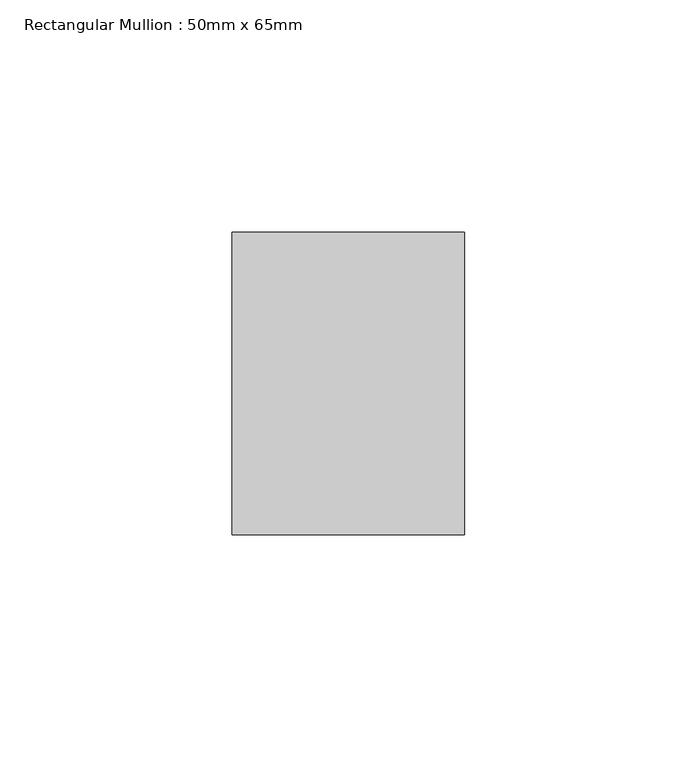
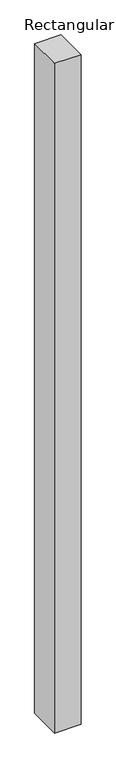
"""IFC4 building model written with IfcOpenShell, lengths in millimetres: member geometry, Rectangular Mullion : 50mm x 65mm."""

from ifc_helpers import new_model, si_unit, frame, origin, place, context, project, spatial, polyline, outline, extrude, source, transform, mapped, element, save


def rectangular_mullion_50mm_x_65mm_bb748605(model_context):
    return source(origin(), model_context, "Body", "SweptSolid", [
        extrude(outline(polyline([(25.0, 32.5), (25.0, -32.5), (-25.0, -32.5), (-25.0, 32.5), (25.0, 32.5)])), frame((0.0, 0.0, -1337.4790251), z_axis=(0.0, 0.0, 1.0), x_axis=(1.0, 0.0, 0.0)), (0.0, 0.0, 1.0), 1337.4790251),
    ])


if __name__ == "__main__":
    model = new_model("IFC4")
    model_context = context("Model", 3, world=origin())
    ifc_project = project(units=[si_unit("LENGTHUNIT", "METRE", prefix="MILLI")], contexts=[model_context])
    site = spatial("IfcSite", under=ifc_project)
    building = spatial("IfcBuilding", under=site)
    placement = place(None, origin())
    rectangular_mullion_50mm_x_65mm_shape = rectangular_mullion_50mm_x_65mm_bb748605(model_context)
    element("IfcMember", 1, ObjectType="Rectangular Mullion : 50mm x 65mm", at=placement, inside=building, context=model_context, shape_type="MappedRepresentation", body=[
        mapped(rectangular_mullion_50mm_x_65mm_shape, transform((0.0, 0.0, 0.0), x_axis=(1.0, 0.0, 0.0), y_axis=(0.0, 1.0, 0.0), z_axis=(0.0, 0.0, 1.0))),
    ])
    save(model, "model.ifc")
